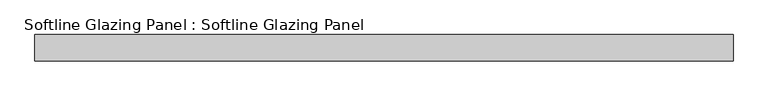
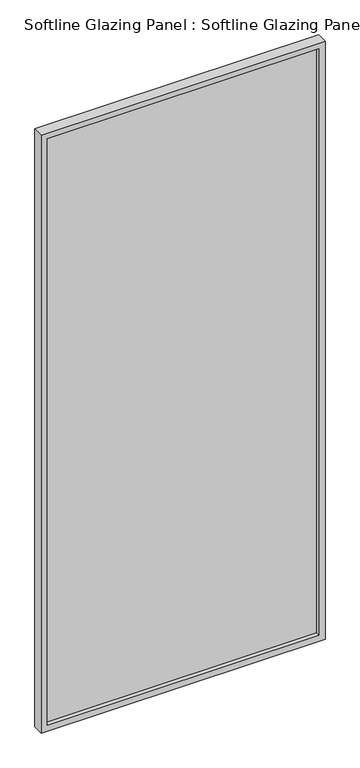
"""IFC4 building model written with IfcOpenShell, lengths in millimetres: plate geometry, Softline Glazing Panel : Softline Glazing Panel."""

from ifc_helpers import new_model, si_unit, frame, origin, place, context, project, spatial, polyline, outline, extrude, faceted_brep, source, transform, mapped, element, save


def softline_glazing_panel_softline_glazing_panel_4ebb32d7(model_context):
    return source(origin(), model_context, "Body", "SolidModel", [
        extrude(outline(polyline([(584.0, 4.0), (584.0, -4.0), (-584.0, -4.0), (-584.0, 4.0), (584.0, 4.0)])), frame((0.0, 0.0, 16.0), z_axis=(0.0, 0.0, 1.0), x_axis=(1.0, 0.0, 0.0)), (0.0, 0.0, 1.0), 2640.0),
        faceted_brep([(574.0, 4.0, 26.0), (574.0, 22.5, 26.0), (-574.0, 22.5, 26.0), (-574.0, 4.0, 26.0), (584.0, -4.0, 16.0), (584.0, 4.0, 16.0), (-584.0, 4.0, 16.0), (-584.0, -4.0, 16.0), (574.0, -22.5, 26.0), (574.0, -4.0, 26.0), (-574.0, -4.0, 26.0), (-574.0, -22.5, 26.0), (600.0, 22.5, 0.0), (600.0, -22.5, 0.0), (-600.0, -22.5, 0.0), (-600.0, 22.5, 0.0), (-574.0, 22.5, 2646.0), (-574.0, 4.0, 2646.0), (-584.0, 4.0, 2656.0), (-584.0, -4.0, 2656.0), (-574.0, -4.0, 2646.0), (-574.0, -22.5, 2646.0), (-600.0, -22.5, 2672.0), (-600.0, 22.5, 2672.0), (574.0, 22.5, 2646.0), (574.0, 4.0, 2646.0), (584.0, 4.0, 2656.0), (584.0, -4.0, 2656.0), (574.0, -4.0, 2646.0), (574.0, -22.5, 2646.0), (600.0, -22.5, 2672.0), (600.0, 22.5, 2672.0)], [[[0, 1, 2, 3]], [[4, 5, 6, 7]], [[8, 9, 10, 11]], [[12, 13, 14, 15]], [[3, 2, 16, 17]], [[7, 6, 18, 19]], [[11, 10, 20, 21]], [[15, 14, 22, 23]], [[17, 16, 24, 25]], [[19, 18, 26, 27]], [[21, 20, 28, 29]], [[23, 22, 30, 31]], [[15, 23, 31, 12], [1, 24, 16, 2]], [[25, 24, 1, 0]], [[5, 26, 18, 6], [3, 17, 25, 0]], [[27, 26, 5, 4]], [[7, 19, 27, 4], [9, 28, 20, 10]], [[29, 28, 9, 8]], [[13, 30, 22, 14], [11, 21, 29, 8]], [[31, 30, 13, 12]]]),
    ])


if __name__ == "__main__":
    model = new_model("IFC4")
    model_context = context("Model", 3, world=origin())
    ifc_project = project(units=[si_unit("LENGTHUNIT", "METRE", prefix="MILLI")], contexts=[model_context])
    site = spatial("IfcSite", under=ifc_project)
    building = spatial("IfcBuilding", under=site)
    placement = place(None, origin())
    softline_glazing_panel_softline_glazing_panel_shape = softline_glazing_panel_softline_glazing_panel_4ebb32d7(model_context)
    element("IfcPlate", 1, ObjectType="Softline Glazing Panel : Softline Glazing Panel", at=placement, inside=building, context=model_context, shape_type="MappedRepresentation", body=[
        mapped(softline_glazing_panel_softline_glazing_panel_shape, transform((0.0, 0.0, 0.0), x_axis=(1.0, 0.0, 0.0), y_axis=(0.0, 1.0, 0.0), z_axis=(0.0, 0.0, 1.0))),
    ])
    save(model, "model.ifc")
